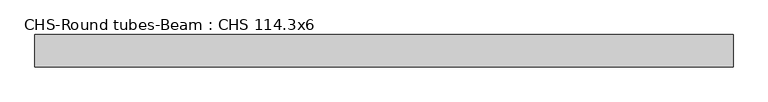
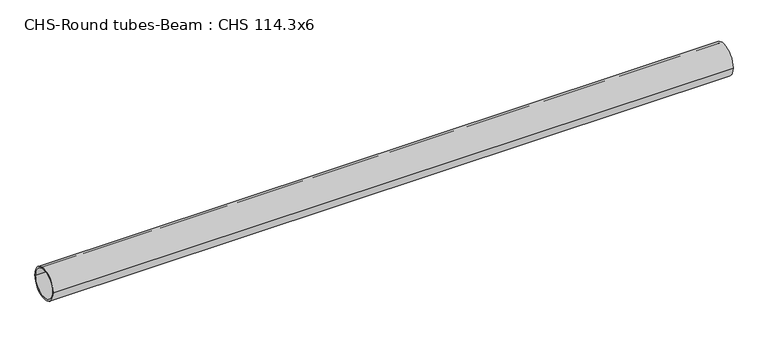
"""IFC4 building model written with IfcOpenShell, lengths in millimetres: beam geometry, CHS-Round tubes-Beam : CHS 114.3x6."""

from ifc_helpers import new_model, si_unit, point, frame, origin, origin_2d, place, context, project, spatial, circle_curve, trimmed, segment, composite_curve, outline, extrude, source, transform, mapped, element, save


def chs_round_tubes_beam_chs_114_3x6_062a8fc3(model_context):
    return source(origin(), model_context, "Body", "SweptSolid", [
        extrude(outline(composite_curve([segment(trimmed(circle_curve(origin_2d(), 57.15), [point((57.15, 0.0))], [point((-57.15, 0.0))], False, "CARTESIAN"), True, "CONTINUOUS"), segment(trimmed(circle_curve(origin_2d(), 57.15), [point((-57.15, 0.0))], [point((57.15, 0.0))], False, "CARTESIAN"), True, "CONTINUOUS")], self_intersect=False), holes=[composite_curve([segment(trimmed(circle_curve(origin_2d(), 51.15), [point((51.15, 0.0))], [point((-51.15, 0.0))], True, "CARTESIAN"), True, "CONTINUOUS"), segment(trimmed(circle_curve(origin_2d(), 51.15), [point((-51.15, 0.0))], [point((51.15, 0.0))], True, "CARTESIAN"), True, "CONTINUOUS")], self_intersect=False)]), frame((-1177.1802535, 0.0, 0.0), z_axis=(1.0, 0.0, 0.0), x_axis=(0.0, 1.0, 0.0)), (0.0, 0.0, 1.0), 2456.3241442),
    ])


if __name__ == "__main__":
    model = new_model("IFC4")
    model_context = context("Model", 3, world=origin())
    ifc_project = project(units=[si_unit("LENGTHUNIT", "METRE", prefix="MILLI")], contexts=[model_context])
    site = spatial("IfcSite", under=ifc_project)
    building = spatial("IfcBuilding", under=site)
    placement = place(None, origin())
    chs_round_tubes_beam_chs_114_3x6_shape = chs_round_tubes_beam_chs_114_3x6_062a8fc3(model_context)
    element("IfcBeam", 1, ObjectType="CHS-Round tubes-Beam : CHS 114.3x6", at=placement, inside=building, context=model_context, shape_type="MappedRepresentation", body=[
        mapped(chs_round_tubes_beam_chs_114_3x6_shape, transform((0.0, 0.0, 0.0), x_axis=(1.0, 0.0, 0.0), y_axis=(0.0, 1.0, 0.0), z_axis=(0.0, 0.0, 1.0))),
    ])
    save(model, "model.ifc")
